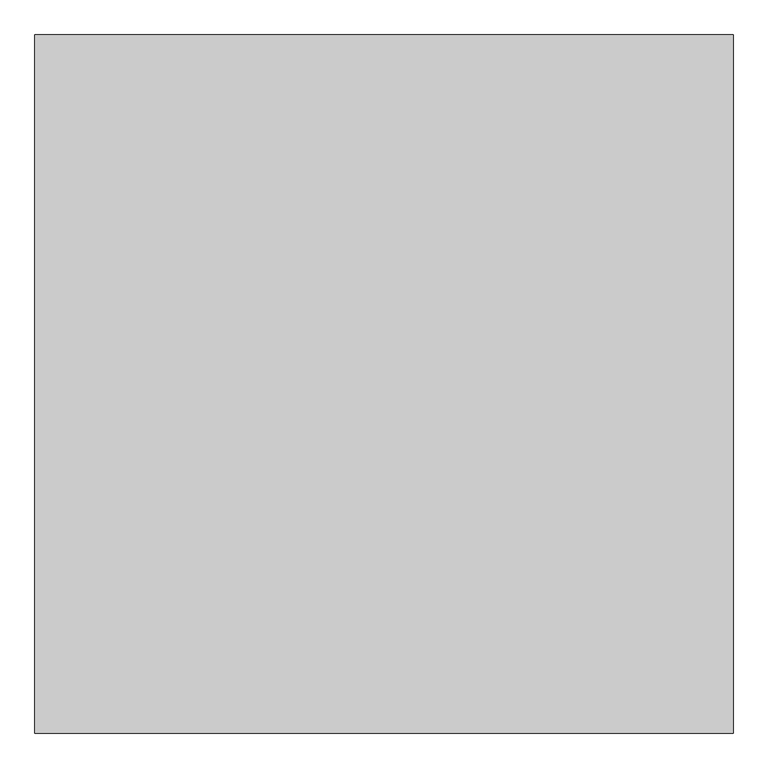
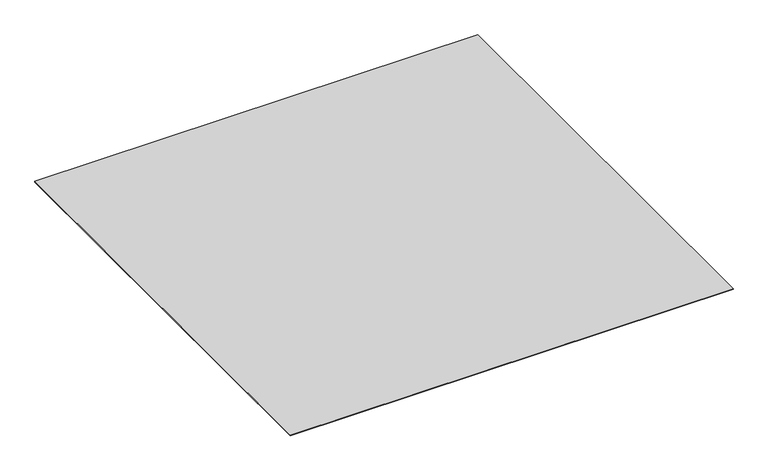
"""IFC4 building model written with IfcOpenShell, lengths in millimetres: proxy geometry."""

from ifc_helpers import new_model, si_unit, origin, origin_with_axes, place, context, project, spatial, polyline, outline, extrude, source, transform, mapped, element, save


def generic_models_a1914e88(model_context):
    return source(origin(), model_context, "Body", "SweptSolid", [
        extrude(outline(polyline([(-5755.396328, -17878.0478908), (-5755.396328, -18878.0478908), (-6755.396328, -18878.0478908), (-6755.396328, -17878.0478908), (-5755.396328, -17878.0478908)])), origin_with_axes(), (0.0, 0.0, 1.0), 1.5),
    ])


if __name__ == "__main__":
    model = new_model("IFC4")
    model_context = context("Model", 3, world=origin())
    ifc_project = project(units=[si_unit("LENGTHUNIT", "METRE", prefix="MILLI")], contexts=[model_context])
    site = spatial("IfcSite", under=ifc_project)
    building = spatial("IfcBuilding", under=site)
    placement = place(None, origin())
    generic_models_shape = generic_models_a1914e88(model_context)
    element("IfcBuildingElementProxy", 1, Name="Generic Models", at=placement, inside=building, context=model_context, shape_type="MappedRepresentation", body=[
        mapped(generic_models_shape, transform((0.0, 0.0, 0.0), x_axis=(1.0, 0.0, 0.0), y_axis=(0.0, 1.0, 0.0), z_axis=(0.0, 0.0, 1.0))),
    ])
    save(model, "model.ifc")
